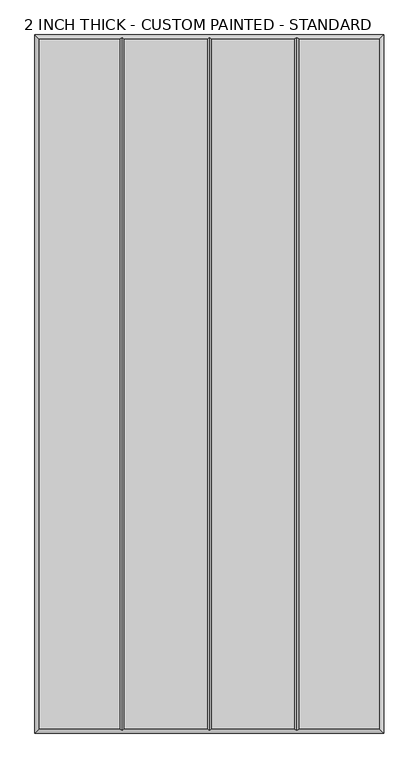
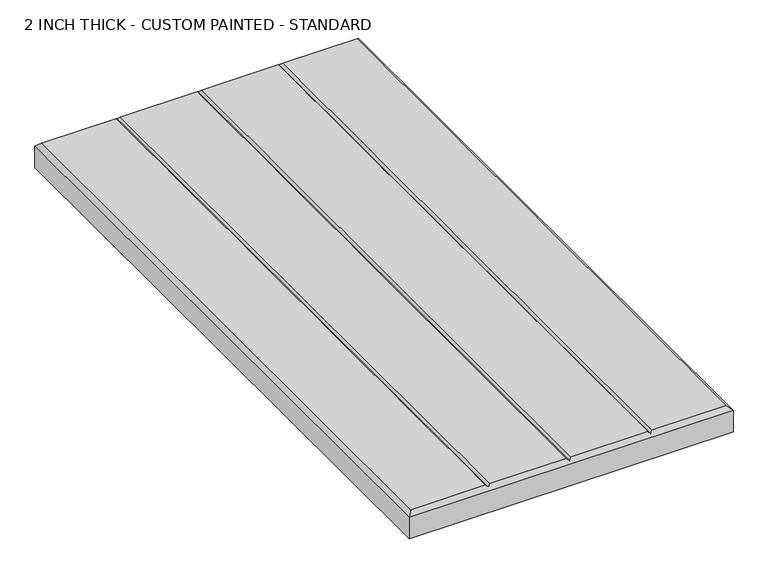
"""IFC4 building model written with IfcOpenShell, lengths in millimetres: proxy geometry, 2 INCH THICK - CUSTOM PAINTED - STANDARD."""

from ifc_helpers import new_model, si_unit, origin, place, context, project, spatial, faceted_brep, source, transform, mapped, element, save


def proxy_2_inch_thick_custom_painted_standard_681250cd(model_context):
    return source(origin(), model_context, "Body", "Brep", [
        faceted_brep([(-296.799, 601.599, 50.8), (-296.799, -601.599, 50.8), (-156.4009826, -601.599, 50.8), (-156.4009826, 601.599, 50.8), (296.799, -601.599, 50.8), (296.799, 601.599, 50.8), (156.4010334, 601.599, 50.8), (156.4010334, -601.599, 50.8), (-148.3999826, 601.599, 50.8), (-148.3999826, -601.599, 50.8), (-4.0004746, -601.599, 50.8), (-4.0004746, 601.599, 50.8), (4.0005254, 601.599, 50.8), (4.0005254, -601.599, 50.8), (148.4000334, -601.599, 50.8), (148.4000334, 601.599, 50.8), (-304.8, 609.6, 0.0), (304.8, 609.6, 0.0), (304.8, -609.6, 0.0), (-304.8, -609.6, 0.0), (-304.8, -609.6, 42.799), (-304.8, 609.6, 42.799), (304.8, -609.6, 42.799), (304.8, 609.6, 42.799), (-152.4004826, 605.5995, 46.7995), (2.54e-05, 605.5995, 46.7995), (152.4005334, 605.5995, 46.7995), (152.4005334, -605.5995, 46.7995), (2.54e-05, -605.5995, 46.7995), (-152.4004826, -605.5995, 46.7995)], [[[0, 1, 2, 3]], [[4, 5, 6, 7]], [[8, 9, 10, 11]], [[12, 13, 14, 15]], [[16, 17, 18, 19]], [[16, 19, 20, 21]], [[19, 18, 22, 20]], [[18, 17, 23, 22]], [[17, 16, 21, 23]], [[21, 0, 3, 24, 8, 11, 25, 12, 15, 26, 6, 5, 23]], [[0, 21, 20, 1]], [[1, 20, 22, 4, 7, 27, 14, 13, 28, 10, 9, 29, 2]], [[23, 5, 4, 22]], [[24, 29, 9, 8]], [[29, 24, 3, 2]], [[25, 28, 13, 12]], [[28, 25, 11, 10]], [[26, 27, 7, 6]], [[27, 26, 15, 14]]]),
    ])


if __name__ == "__main__":
    model = new_model("IFC4")
    model_context = context("Model", 3, world=origin())
    ifc_project = project(units=[si_unit("LENGTHUNIT", "METRE", prefix="MILLI")], contexts=[model_context])
    site = spatial("IfcSite", under=ifc_project)
    building = spatial("IfcBuilding", under=site)
    placement = place(None, origin())
    proxy_2_inch_thick_custom_painted_standard_shape = proxy_2_inch_thick_custom_painted_standard_681250cd(model_context)
    element("IfcBuildingElementProxy", 1, Name="2 INCH THICK - CUSTOM PAINTED - STANDARD", ObjectType="2 INCH THICK - CUSTOM PAINTED - STANDARD", at=placement, inside=building, context=model_context, shape_type="MappedRepresentation", body=[
        mapped(proxy_2_inch_thick_custom_painted_standard_shape, transform((0.0, 0.0, 0.0), x_axis=(1.0, 0.0, 0.0), y_axis=(0.0, 1.0, 0.0), z_axis=(0.0, 0.0, 1.0))),
    ])
    save(model, "model.ifc")
